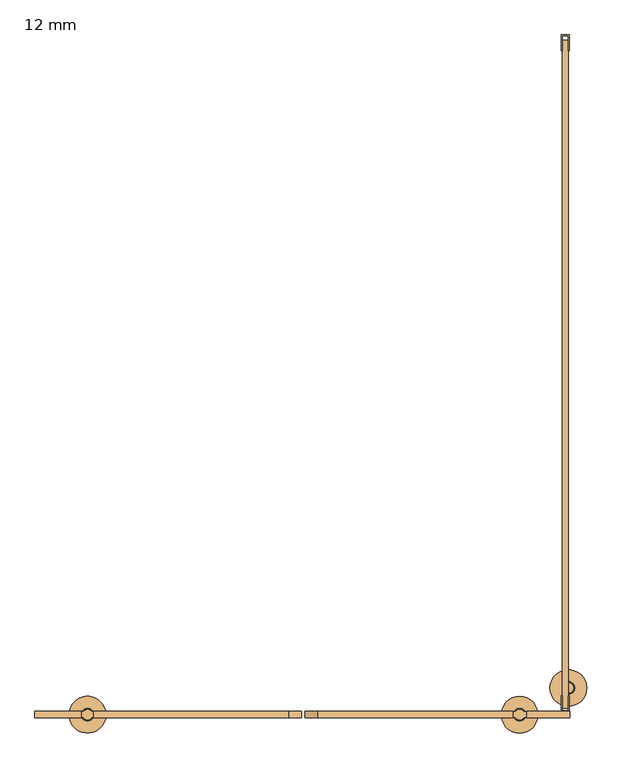
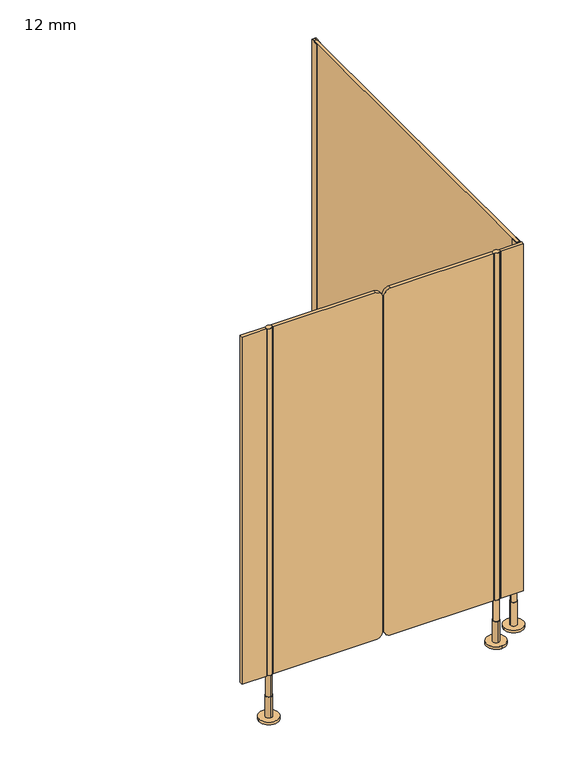
"""IFC4 building model written with IfcOpenShell, lengths in millimetres: door geometry, 12 mm."""

from ifc_helpers import new_model, si_unit, point, frame, frame_2d, origin, place, context, project, spatial, polyline, circle_curve, trimmed, segment, composite_curve, outline, extrude, source, transform, mapped, element, save
from ifc_brep_helpers import plane_surface, cylinder_surface, advanced_brep


def door_12_mm_ccd1af82(model_context):
    return source(origin(), model_context, "Body", "SolidModel", [
        advanced_brep(
        [(429.0, -1296.0, 170.0), (409.0, -1296.0, 170.0), (409.0, -1296.0, 90.0), (429.0, -1296.0, 90.0), (419.0, -1284.0, 90.0), (419.0, -1308.0, 90.0), (419.0, -1284.0, 10.0), (419.0, -1308.0, 10.0), (419.0, -1261.0, 10.0), (419.0, -1331.0, 10.0), (419.0, -1261.0, 0.0), (419.0, -1331.0, 0.0)],
        [
            (0, 1, circle_curve(frame((419.0, -1296.0, 170.0), z_axis=(0.0, 0.0, 1.0), x_axis=(-1.0, 0.0, 0.0)), 10.0)),
            (1, 0, circle_curve(frame((419.0, -1296.0, 170.0), z_axis=(0.0, 0.0, 1.0), x_axis=(-1.0, 0.0, 0.0)), 10.0)),
            (1, 2),
            (2, 3, circle_curve(frame((419.0, -1296.0, 90.0), z_axis=(0.0, 0.0, 1.0), x_axis=(-1.0, 0.0, 0.0)), 10.0)),
            (3, 0),
            (3, 2, circle_curve(frame((419.0, -1296.0, 90.0), z_axis=(0.0, 0.0, 1.0), x_axis=(-1.0, 0.0, 0.0)), 10.0)),
            (4, 5, circle_curve(frame((419.0, -1296.0, 90.0), z_axis=(0.0, 0.0, 1.0), x_axis=(0.0, -1.0, 0.0)), 12.0)),
            (5, 4, circle_curve(frame((419.0, -1296.0, 90.0), z_axis=(0.0, 0.0, 1.0), x_axis=(0.0, -1.0, 0.0)), 12.0)),
            (4, 6),
            (6, 7, circle_curve(frame((419.0, -1296.0, 10.0), z_axis=(0.0, 0.0, 1.0), x_axis=(0.0, -1.0, 0.0)), 12.0)),
            (7, 5),
            (7, 6, circle_curve(frame((419.0, -1296.0, 10.0), z_axis=(0.0, 0.0, 1.0), x_axis=(0.0, -1.0, 0.0)), 12.0)),
            (8, 9, circle_curve(frame((419.0, -1296.0, 10.0), z_axis=(0.0, 0.0, 1.0), x_axis=(0.0, -1.0, 0.0)), 35.0)),
            (9, 8, circle_curve(frame((419.0, -1296.0, 10.0), z_axis=(0.0, 0.0, 1.0), x_axis=(0.0, -1.0, 0.0)), 35.0)),
            (10, 11, circle_curve(frame((419.0, -1296.0, 0.0), z_axis=(0.0, 0.0, -1.0), x_axis=(0.0, -1.0, 0.0)), 35.0)),
            (11, 10, circle_curve(frame((419.0, -1296.0, 0.0), z_axis=(0.0, 0.0, -1.0), x_axis=(0.0, -1.0, 0.0)), 35.0)),
            (8, 10),
            (11, 9),
        ],
        [
            plane_surface(frame((419.0, -1290.0, 170.0), z_axis=(0.0, 0.0, 1.0), x_axis=(0.0, -1.0, 0.0))),
            cylinder_surface(frame((419.0, -1296.0, 90.0), z_axis=(0.0, 0.0, -1.0), x_axis=(-1.0, 0.0, 0.0)), 10.0),
            plane_surface(frame((419.0, -1290.0, 90.0), z_axis=(0.0, 0.0, 1.0), x_axis=(0.0, -1.0, 0.0))),
            cylinder_surface(frame((419.0, -1296.0, 90.0), z_axis=(0.0, 0.0, 1.0), x_axis=(0.0, -1.0, 0.0)), 12.0),
            plane_surface(frame((419.0, -1290.0, 10.0), z_axis=(0.0, 0.0, 1.0), x_axis=(0.0, -1.0, 0.0))),
            plane_surface(frame((419.0, -1290.0, 0.0), z_axis=(0.0, 0.0, -1.0), x_axis=(0.0, -1.0, 0.0))),
            cylinder_surface(frame((419.0, -1296.0, 10.0), z_axis=(0.0, 0.0, 1.0), x_axis=(0.0, -1.0, 0.0)), 35.0),
        ],
        [
            (0, [[1, 2]]),
            (1, [[-2, 3, 4, 5]]),
            (1, [[-1, -5, 6, -3]]),
            (2, [[7, 8], [-4, -6]]),
            (3, [[-7, 9, 10, 11]]),
            (3, [[-8, -11, 12, -9]]),
            (4, [[13, 14], [-10, -12]]),
            (5, [[15, 16]]),
            (6, [[-13, 17, -16, 18]]),
            (6, [[-14, -18, -15, -17]]),
        ],
    ),
        advanced_brep(
        [(-405.5, -1306.0, 170.0), (-405.5, -1286.0, 170.0), (-405.5, -1286.0, 90.0), (-405.5, -1306.0, 90.0), (-405.5, -1284.0, 90.0), (-405.5, -1308.0, 90.0), (-405.5, -1284.0, 10.0), (-405.5, -1308.0, 10.0), (-370.5, -1296.0, 0.0), (-440.5, -1296.0, 0.0), (-370.5, -1296.0, 10.0), (-440.5, -1296.0, 10.0)],
        [
            (0, 1, circle_curve(frame((-405.5, -1296.0, 170.0), z_axis=(0.0, 0.0, -1.0), x_axis=(0.0, -1.0, 0.0)), 10.0)),
            (1, 2),
            (2, 3, circle_curve(frame((-405.5, -1296.0, 90.0), z_axis=(0.0, 0.0, 1.0), x_axis=(0.0, -1.0, 0.0)), 10.0)),
            (3, 0),
            (1, 0, circle_curve(frame((-405.5, -1296.0, 170.0), z_axis=(0.0, 0.0, -1.0), x_axis=(0.0, -1.0, 0.0)), 10.0)),
            (3, 2, circle_curve(frame((-405.5, -1296.0, 90.0), z_axis=(0.0, 0.0, 1.0), x_axis=(0.0, -1.0, 0.0)), 10.0)),
            (4, 5, circle_curve(frame((-405.5, -1296.0, 90.0), z_axis=(0.0, 0.0, 1.0), x_axis=(0.0, -1.0, 0.0)), 12.0)),
            (5, 4, circle_curve(frame((-405.5, -1296.0, 90.0), z_axis=(0.0, 0.0, 1.0), x_axis=(0.0, -1.0, 0.0)), 12.0)),
            (4, 6),
            (6, 7, circle_curve(frame((-405.5, -1296.0, 10.0), z_axis=(0.0, 0.0, 1.0), x_axis=(0.0, -1.0, 0.0)), 12.0)),
            (7, 5),
            (7, 6, circle_curve(frame((-405.5, -1296.0, 10.0), z_axis=(0.0, 0.0, 1.0), x_axis=(0.0, -1.0, 0.0)), 12.0)),
            (8, 9, circle_curve(frame((-405.5, -1296.0, 0.0), z_axis=(0.0, 0.0, -1.0), x_axis=(-1.0, 0.0, 0.0)), 35.0)),
            (9, 8, circle_curve(frame((-405.5, -1296.0, 0.0), z_axis=(0.0, 0.0, -1.0), x_axis=(-1.0, 0.0, 0.0)), 35.0)),
            (10, 11, circle_curve(frame((-405.5, -1296.0, 10.0), z_axis=(0.0, 0.0, 1.0), x_axis=(-1.0, 0.0, 0.0)), 35.0)),
            (11, 10, circle_curve(frame((-405.5, -1296.0, 10.0), z_axis=(0.0, 0.0, 1.0), x_axis=(-1.0, 0.0, 0.0)), 35.0)),
            (8, 10),
            (11, 9),
        ],
        [
            cylinder_surface(frame((-405.5, -1296.0, 170.0), z_axis=(0.0, 0.0, 1.0), x_axis=(0.0, -1.0, 0.0)), 10.0),
            plane_surface(frame((-405.5, -1290.0, 90.0), z_axis=(0.0, 0.0, 1.0), x_axis=(0.0, -1.0, 0.0))),
            cylinder_surface(frame((-405.5, -1296.0, 90.0), z_axis=(0.0, 0.0, 1.0), x_axis=(0.0, -1.0, 0.0)), 12.0),
            plane_surface(frame((-405.5, -1290.0, 0.0), z_axis=(0.0, 0.0, -1.0), x_axis=(0.0, -1.0, 0.0))),
            plane_surface(frame((-405.5, -1290.0, 10.0), z_axis=(0.0, 0.0, 1.0), x_axis=(0.0, -1.0, 0.0))),
            cylinder_surface(frame((-405.5, -1296.0, 0.0), z_axis=(0.0, 0.0, -1.0), x_axis=(-1.0, 0.0, 0.0)), 35.0),
            plane_surface(frame((-405.5, -1290.0, 170.0), z_axis=(0.0, 0.0, 1.0), x_axis=(0.0, -1.0, 0.0))),
        ],
        [
            (0, [[1, 2, 3, 4]]),
            (0, [[5, -4, 6, -2]]),
            (1, [[7, 8], [-3, -6]]),
            (2, [[-7, 9, 10, 11]]),
            (2, [[-8, -11, 12, -9]]),
            (3, [[13, 14]]),
            (4, [[15, 16], [-10, -12]]),
            (5, [[-13, 17, -16, 18]]),
            (5, [[-14, -18, -15, -17]]),
            (6, [[-1, -5]]),
        ],
    ),
        extrude(outline(composite_curve([segment(polyline([(170.0, 406.0), (1500.0, 406.0), (1500.0, 34.0002203)]), True, "CONTINUOUS"), segment(trimmed(circle_curve(frame_2d((1475.0, 34.0002203)), 25.0), [point((1500.0, 34.0002203))], [point((1475.0, 9.0002203))], False, "CARTESIAN"), True, "CONTINUOUS"), segment(polyline([(1475.0, 9.0002203), (195.0, 9.0002203)]), True, "CONTINUOUS"), segment(trimmed(circle_curve(frame_2d((195.0, 34.0002203)), 25.0), [point((195.0, 9.0002203))], [point((170.0, 34.0002203))], False, "CARTESIAN"), True, "CONTINUOUS"), segment(polyline([(170.0, 34.0002203), (170.0, 406.0)]), True, "CONTINUOUS")], self_intersect=False)), frame((0.0, -1302.0, 0.0), z_axis=(0.0, 1.0, 0.0), x_axis=(0.0, 0.0, 1.0)), (0.0, 0.0, 1.0), 12.0),
        extrude(outline(composite_curve([segment(polyline([(1500.0, -394.0), (170.0, -394.0), (170.0, -22.0002203)]), True, "CONTINUOUS"), segment(trimmed(circle_curve(frame_2d((195.0, -22.0002203)), 25.0), [point((170.0, -22.0002203))], [point((195.0, 2.9997797))], False, "CARTESIAN"), True, "CONTINUOUS"), segment(polyline([(195.0, 2.9997797), (1475.0, 2.9997797)]), True, "CONTINUOUS"), segment(trimmed(circle_curve(frame_2d((1475.0, -22.0002203)), 25.0), [point((1475.0, 2.9997797))], [point((1500.0, -22.0002203))], False, "CARTESIAN"), True, "CONTINUOUS"), segment(polyline([(1500.0, -22.0002203), (1500.0, -394.0)]), True, "CONTINUOUS")], self_intersect=False)), frame((0.0, -1302.0, 0.0), z_axis=(0.0, 1.0, 0.0), x_axis=(0.0, 0.0, 1.0)), (0.0, 0.0, 1.0), 12.0),
        extrude(outline(composite_curve([segment(trimmed(circle_curve(frame_2d((-405.5, -1296.0)), 10.0), [point((-413.5, -1290.0))], [point((-397.5, -1290.0))], False, "CARTESIAN"), True, "CONTINUOUS"), segment(trimmed(circle_curve(frame_2d((-405.5, -1296.0)), 10.0), [point((-397.5, -1290.0))], [point((-396.8391323, -1291.0010631))], False, "CARTESIAN"), True, "CONTINUOUS"), segment(polyline([(-396.8391323, -1291.0010631), (-394.0, -1291.0010631), (-394.0, -1300.9989369), (-396.8391323, -1300.9989369)]), True, "CONTINUOUS"), segment(trimmed(circle_curve(frame_2d((-405.5, -1296.0)), 10.0), [point((-396.8391323, -1300.9989369))], [point((-414.1608677, -1300.9989369))], False, "CARTESIAN"), True, "CONTINUOUS"), segment(polyline([(-414.1608677, -1300.9989369), (-417.0, -1300.9989369), (-417.0, -1291.0010631), (-414.1608677, -1291.0010631)]), True, "CONTINUOUS"), segment(trimmed(circle_curve(frame_2d((-405.5, -1296.0)), 10.0), [point((-414.1608677, -1291.0010631))], [point((-413.5, -1290.0))], False, "CARTESIAN"), True, "CONTINUOUS")], self_intersect=False)), frame((0.0, 0.0, 170.0), z_axis=(0.0, 0.0, 1.0), x_axis=(1.0, 0.0, 0.0)), (0.0, 0.0, 1.0), 1330.0),
        extrude(outline(composite_curve([segment(trimmed(circle_curve(frame_2d((419.0, -1296.0)), 10.0), [point((427.6608677, -1300.9989369))], [point((410.3391323, -1300.9989369))], False, "CARTESIAN"), True, "CONTINUOUS"), segment(polyline([(410.3391323, -1300.9989369), (406.0, -1300.9989369), (406.0, -1291.0010631), (410.3391323, -1291.0010631)]), True, "CONTINUOUS"), segment(trimmed(circle_curve(frame_2d((419.0, -1296.0)), 10.0), [point((410.3391323, -1291.0010631))], [point((427.6608677, -1291.0010631))], False, "CARTESIAN"), True, "CONTINUOUS"), segment(polyline([(427.6608677, -1291.0010631), (432.0, -1291.0010631), (432.0, -1300.9989369), (427.6608677, -1300.9989369)]), True, "CONTINUOUS")], self_intersect=False)), frame((0.0, 0.0, 170.0), z_axis=(0.0, 0.0, 1.0), x_axis=(1.0, 0.0, 0.0)), (0.0, 0.0, 1.0), 1330.0),
        extrude(outline(polyline([(498.5, 0.0), (513.5, 0.0), (513.5, -30.0), (512.0, -30.0), (512.0, -1.5), (500.0, -1.5), (500.0, -30.0), (498.5, -30.0), (498.5, 0.0)])), frame((0.0, 0.0, 170.0), z_axis=(0.0, 0.0, 1.0), x_axis=(1.0, 0.0, 0.0)), (0.0, 0.0, 1.0), 1330.0),
        extrude(outline(polyline([(432.0, -1290.0), (515.0, -1290.0), (515.0, -1302.0), (432.0, -1302.0), (432.0, -1290.0)])), frame((0.0, 0.0, 170.0), z_axis=(0.0, 0.0, 1.0), x_axis=(1.0, 0.0, 0.0)), (0.0, 0.0, 1.0), 1330.0),
        extrude(outline(polyline([(-417.0, -1290.0), (-417.0, -1302.0), (-506.0, -1302.0), (-506.0, -1290.0), (-417.0, -1290.0)])), frame((0.0, 0.0, 170.0), z_axis=(0.0, 0.0, 1.0), x_axis=(1.0, 0.0, 0.0)), (0.0, 0.0, 1.0), 1330.0),
        extrude(outline(polyline([(513.5, -1290.0), (498.5, -1290.0), (498.5, -1260.0), (500.0, -1260.0), (500.0, -1288.5), (512.0, -1288.5), (512.0, -1260.0), (513.5, -1260.0), (513.5, -1290.0)])), frame((0.0, 0.0, 170.0), z_axis=(0.0, 0.0, 1.0), x_axis=(1.0, 0.0, 0.0)), (0.0, 0.0, 1.0), 1330.0),
        advanced_brep(
        [(477.0, -1245.0, 0.0), (547.0, -1245.0, 0.0), (477.0, -1245.0, 10.0), (547.0, -1245.0, 10.0), (500.0, -1245.0, 10.0), (524.0, -1245.0, 10.0), (500.0, -1245.0, 100.0), (524.0, -1245.0, 100.0), (502.0, -1245.0, 100.0), (522.0, -1245.0, 100.0), (502.0, -1245.0, 225.5), (522.0, -1245.0, 225.5)],
        [
            (0, 1, circle_curve(frame((512.0, -1245.0, 0.0), z_axis=(0.0, 0.0, -1.0), x_axis=(1.0, 0.0, 0.0)), 35.0)),
            (1, 0, circle_curve(frame((512.0, -1245.0, 0.0), z_axis=(0.0, 0.0, -1.0), x_axis=(1.0, 0.0, 0.0)), 35.0)),
            (2, 3, circle_curve(frame((512.0, -1245.0, 10.0), z_axis=(0.0, 0.0, 1.0), x_axis=(1.0, 0.0, 0.0)), 35.0)),
            (3, 2, circle_curve(frame((512.0, -1245.0, 10.0), z_axis=(0.0, 0.0, 1.0), x_axis=(1.0, 0.0, 0.0)), 35.0)),
            (4, 5, circle_curve(frame((512.0, -1245.0, 10.0), z_axis=(0.0, 0.0, -1.0), x_axis=(1.0, 0.0, 0.0)), 12.0)),
            (5, 4, circle_curve(frame((512.0, -1245.0, 10.0), z_axis=(0.0, 0.0, -1.0), x_axis=(1.0, 0.0, 0.0)), 12.0)),
            (0, 2),
            (3, 1),
            (6, 7, circle_curve(frame((512.0, -1245.0, 100.0), z_axis=(0.0, 0.0, 1.0), x_axis=(1.0, 0.0, 0.0)), 12.0)),
            (7, 6, circle_curve(frame((512.0, -1245.0, 100.0), z_axis=(0.0, 0.0, 1.0), x_axis=(1.0, 0.0, 0.0)), 12.0)),
            (8, 9, circle_curve(frame((512.0, -1245.0, 100.0), z_axis=(0.0, 0.0, -1.0), x_axis=(1.0, 0.0, 0.0)), 10.0)),
            (9, 8, circle_curve(frame((512.0, -1245.0, 100.0), z_axis=(0.0, 0.0, -1.0), x_axis=(1.0, 0.0, 0.0)), 10.0)),
            (7, 5),
            (4, 6),
            (10, 11, circle_curve(frame((512.0, -1245.0, 225.5), z_axis=(0.0, 0.0, 1.0), x_axis=(1.0, 0.0, 0.0)), 10.0)),
            (11, 10, circle_curve(frame((512.0, -1245.0, 225.5), z_axis=(0.0, 0.0, 1.0), x_axis=(1.0, 0.0, 0.0)), 10.0)),
            (11, 9),
            (8, 10),
        ],
        [
            plane_surface(frame((506.0, -1296.0, 0.0), z_axis=(0.0, 0.0, -1.0), x_axis=(0.0, 1.0, 0.0))),
            plane_surface(frame((506.0, -1296.0, 10.0), z_axis=(0.0, 0.0, 1.0), x_axis=(0.0, 1.0, 0.0))),
            cylinder_surface(frame((512.0, -1245.0, 0.0), z_axis=(0.0, 0.0, -1.0), x_axis=(1.0, 0.0, 0.0)), 35.0),
            plane_surface(frame((506.0, -1296.0, 100.0), z_axis=(0.0, 0.0, 1.0), x_axis=(0.0, 1.0, 0.0))),
            cylinder_surface(frame((512.0, -1245.0, 10.0), z_axis=(0.0, 0.0, -1.0), x_axis=(1.0, 0.0, 0.0)), 12.0),
            plane_surface(frame((506.0, -1296.0, 225.5), z_axis=(0.0, 0.0, 1.0), x_axis=(0.0, 1.0, 0.0))),
            cylinder_surface(frame((512.0, -1245.0, 100.0), z_axis=(0.0, 0.0, -1.0), x_axis=(1.0, 0.0, 0.0)), 10.0),
        ],
        [
            (0, [[1, 2]]),
            (1, [[3, 4], [5, 6]]),
            (2, [[-1, 7, -4, 8]]),
            (2, [[-2, -8, -3, -7]]),
            (3, [[9, 10], [11, 12]]),
            (4, [[-10, 13, -5, 14]]),
            (4, [[-9, -14, -6, -13]]),
            (5, [[15, 16]]),
            (6, [[-16, 17, -11, 18]]),
            (6, [[-15, -18, -12, -17]]),
        ],
    ),
        extrude(outline(polyline([(512.0, -10.0), (512.0, -1284.0), (500.0, -1284.0), (500.0, -10.0), (512.0, -10.0)])), frame((0.0, 0.0, 170.0), z_axis=(0.0, 0.0, 1.0), x_axis=(1.0, 0.0, 0.0)), (0.0, 0.0, 1.0), 1330.0),
    ])


if __name__ == "__main__":
    model = new_model("IFC4")
    model_context = context("Model", 3, world=origin())
    ifc_project = project(units=[si_unit("LENGTHUNIT", "METRE", prefix="MILLI")], contexts=[model_context])
    site = spatial("IfcSite", under=ifc_project)
    building = spatial("IfcBuilding", under=site)
    placement = place(None, origin())
    door_12_mm_shape = door_12_mm_ccd1af82(model_context)
    element("IfcDoor", 1, ObjectType="12 mm", at=placement, inside=building, context=model_context, shape_type="MappedRepresentation", body=[
        mapped(door_12_mm_shape, transform((0.0, 0.0, 0.0), x_axis=(1.0, 0.0, 0.0), y_axis=(0.0, 1.0, 0.0), z_axis=(0.0, 0.0, 1.0))),
    ])
    save(model, "model.ifc")
